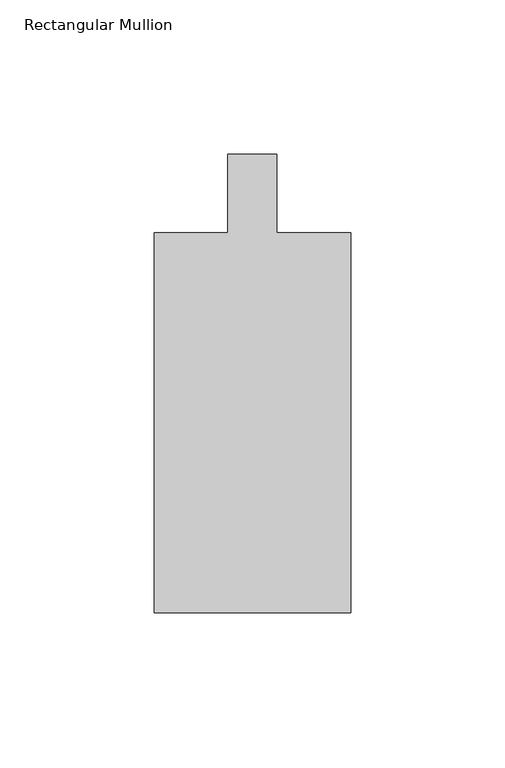
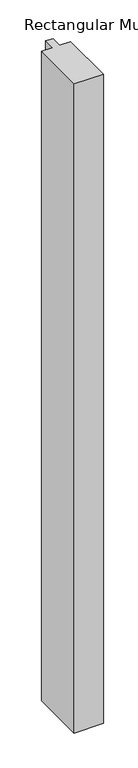
"""IFC4 building model written with IfcOpenShell, lengths in millimetres: member geometry, Rectangular Mullion."""

from ifc_helpers import new_model, si_unit, frame, origin, place, context, project, spatial, polyline, outline, extrude, source, transform, mapped, element, save


def rectangular_mullion_5dc325ef(model_context):
    return source(origin(), model_context, "Body", "SweptSolid", [
        extrude(outline(polyline([(-31.75, -135.73125), (-31.75, -12.7), (-7.9375, -12.7), (-7.9375, 12.7), (7.9375, 12.7), (7.9375, -12.7), (31.75, -12.7), (31.75, -135.73125), (-31.75, -135.73125)])), frame((0.0, 0.0, -1492.25), z_axis=(0.0, 0.0, 1.0), x_axis=(1.0, 0.0, 0.0)), (0.0, 0.0, 1.0), 1492.25),
    ])


if __name__ == "__main__":
    model = new_model("IFC4")
    model_context = context("Model", 3, world=origin())
    ifc_project = project(units=[si_unit("LENGTHUNIT", "METRE", prefix="MILLI")], contexts=[model_context])
    site = spatial("IfcSite", under=ifc_project)
    building = spatial("IfcBuilding", under=site)
    placement = place(None, origin())
    rectangular_mullion_shape = rectangular_mullion_5dc325ef(model_context)
    element("IfcMember", 1, ObjectType="Rectangular Mullion", at=placement, inside=building, context=model_context, shape_type="MappedRepresentation", body=[
        mapped(rectangular_mullion_shape, transform((0.0, 0.0, 0.0), x_axis=(1.0, 0.0, 0.0), y_axis=(0.0, 1.0, 0.0), z_axis=(0.0, 0.0, 1.0))),
    ])
    save(model, "model.ifc")
